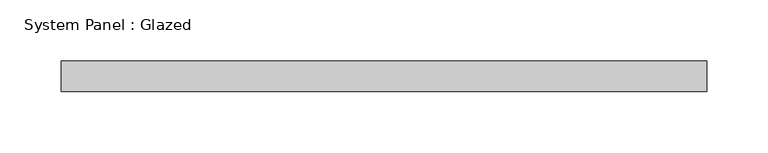
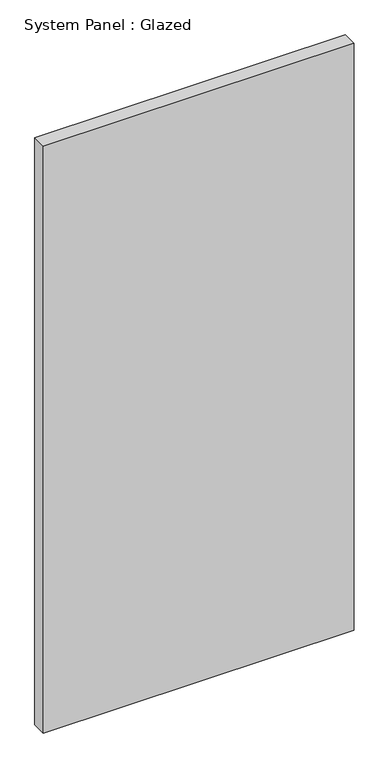
"""IFC4 building model written with IfcOpenShell, lengths in millimetres: plate geometry, System Panel : Glazed."""

from ifc_helpers import new_model, si_unit, origin, origin_with_axes, place, context, project, spatial, polyline, outline, extrude, source, transform, mapped, element, save


def system_panel_glazed_0ba2701f(model_context):
    return source(origin(), model_context, "Body", "SweptSolid", [
        extrude(outline(polyline([(263.5, -12.5), (-263.5, -12.5), (-263.5, 12.5), (263.5, 12.5), (263.5, -12.5)])), origin_with_axes(), (0.0, 0.0, 1.0), 1052.0),
    ])


if __name__ == "__main__":
    model = new_model("IFC4")
    model_context = context("Model", 3, world=origin())
    ifc_project = project(units=[si_unit("LENGTHUNIT", "METRE", prefix="MILLI")], contexts=[model_context])
    site = spatial("IfcSite", under=ifc_project)
    building = spatial("IfcBuilding", under=site)
    placement = place(None, origin())
    system_panel_glazed_shape = system_panel_glazed_0ba2701f(model_context)
    element("IfcPlate", 1, ObjectType="System Panel : Glazed", at=placement, inside=building, context=model_context, shape_type="MappedRepresentation", body=[
        mapped(system_panel_glazed_shape, transform((0.0, 0.0, 0.0), x_axis=(1.0, 0.0, 0.0), y_axis=(0.0, 1.0, 0.0), z_axis=(0.0, 0.0, 1.0))),
    ])
    save(model, "model.ifc")
